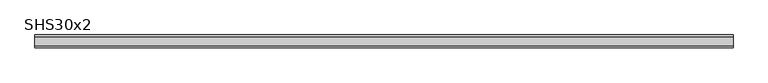
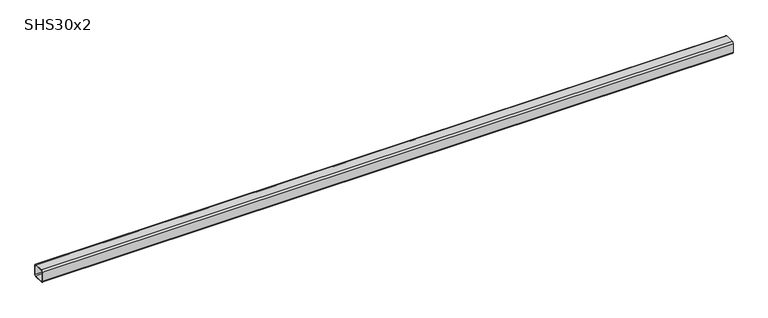
"""IFC4 building model written with IfcOpenShell, lengths in millimetres: beam geometry, SHS30x2."""

from ifc_helpers import new_model, si_unit, point, frame, frame_2d, origin, place, context, project, spatial, polyline, circle_curve, trimmed, segment, composite_curve, outline, extrude, source, transform, mapped, element, save


def shs30x2_efeca38b(model_context):
    return source(origin(), model_context, "Body", "SweptSolid", [
        extrude(outline(composite_curve([segment(polyline([(15.0, 11.0), (15.0, -11.0)]), True, "CONTINUOUS"), segment(trimmed(circle_curve(frame_2d((11.0, -11.0)), 4.0), [point((15.0, -11.0))], [point((11.0, -15.0))], False, "CARTESIAN"), True, "CONTINUOUS"), segment(polyline([(11.0, -15.0), (-11.0, -15.0)]), True, "CONTINUOUS"), segment(trimmed(circle_curve(frame_2d((-11.0, -11.0)), 4.0), [point((-11.0, -15.0))], [point((-15.0, -11.0))], False, "CARTESIAN"), True, "CONTINUOUS"), segment(polyline([(-15.0, -11.0), (-15.0, 11.0)]), True, "CONTINUOUS"), segment(trimmed(circle_curve(frame_2d((-11.0, 11.0)), 4.0), [point((-15.0, 11.0))], [point((-11.0, 15.0))], False, "CARTESIAN"), True, "CONTINUOUS"), segment(polyline([(-11.0, 15.0), (11.0, 15.0)]), True, "CONTINUOUS"), segment(trimmed(circle_curve(frame_2d((11.0, 11.0)), 4.0), [point((11.0, 15.0))], [point((15.0, 11.0))], False, "CARTESIAN"), True, "CONTINUOUS")], self_intersect=False), holes=[composite_curve([segment(trimmed(circle_curve(frame_2d((-11.0, 11.0)), 2.0), [point((-11.0, 13.0))], [point((-13.0, 11.0))], True, "CARTESIAN"), True, "CONTINUOUS"), segment(polyline([(-13.0, 11.0), (-13.0, -11.0)]), True, "CONTINUOUS"), segment(trimmed(circle_curve(frame_2d((-11.0, -11.0)), 2.0), [point((-13.0, -11.0))], [point((-11.0, -13.0))], True, "CARTESIAN"), True, "CONTINUOUS"), segment(polyline([(-11.0, -13.0), (11.0, -13.0)]), True, "CONTINUOUS"), segment(trimmed(circle_curve(frame_2d((11.0, -11.0)), 2.0), [point((11.0, -13.0))], [point((13.0, -11.0))], True, "CARTESIAN"), True, "CONTINUOUS"), segment(polyline([(13.0, -11.0), (13.0, 11.0)]), True, "CONTINUOUS"), segment(trimmed(circle_curve(frame_2d((11.0, 11.0)), 2.0), [point((13.0, 11.0))], [point((11.0, 13.0))], True, "CARTESIAN"), True, "CONTINUOUS"), segment(polyline([(11.0, 13.0), (-11.0, 13.0)]), True, "CONTINUOUS")], self_intersect=False)]), frame((-833.5, 0.0, 0.0), z_axis=(1.0, 0.0, 0.0), x_axis=(0.0, 1.0, 0.0)), (0.0, 0.0, 1.0), 1651.0),
    ])


if __name__ == "__main__":
    model = new_model("IFC4")
    model_context = context("Model", 3, world=origin())
    ifc_project = project(units=[si_unit("LENGTHUNIT", "METRE", prefix="MILLI")], contexts=[model_context])
    site = spatial("IfcSite", under=ifc_project)
    building = spatial("IfcBuilding", under=site)
    placement = place(None, origin())
    shs30x2_shape = shs30x2_efeca38b(model_context)
    element("IfcBeam", 1, ObjectType="SHS30x2", at=placement, inside=building, context=model_context, shape_type="MappedRepresentation", body=[
        mapped(shs30x2_shape, transform((0.0, 0.0, 0.0), x_axis=(1.0, 0.0, 0.0), y_axis=(0.0, 1.0, 0.0), z_axis=(0.0, 0.0, 1.0))),
    ])
    save(model, "model.ifc")
